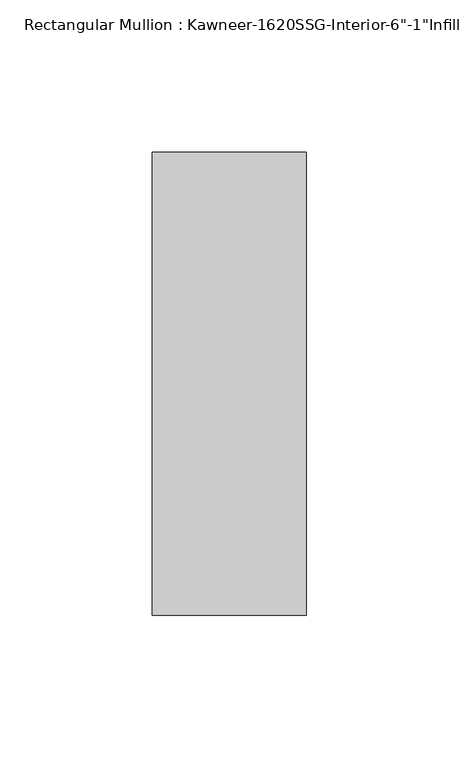
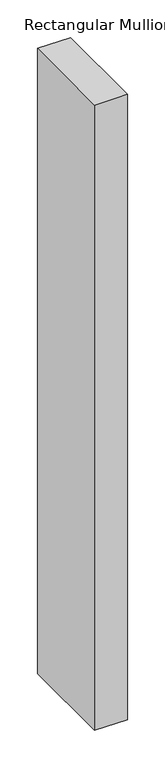
"""IFC4 building model written with IfcOpenShell, lengths in millimetres: member geometry."""

from ifc_helpers import new_model, si_unit, frame, origin, place, context, project, spatial, polyline, outline, extrude, source, transform, mapped, element, save


def member_9d4e5637(model_context):
    return source(origin(), model_context, "Body", "SweptSolid", [
        extrude(outline(polyline([(25.4, -114.3), (-25.4, -114.3), (-25.4, 38.1), (25.4, 38.1), (25.4, -114.3)])), frame((0.0, 0.0, -1016.0), z_axis=(0.0, 0.0, 1.0), x_axis=(1.0, 0.0, 0.0)), (0.0, 0.0, 1.0), 1016.0),
    ])


if __name__ == "__main__":
    model = new_model("IFC4")
    model_context = context("Model", 3, world=origin())
    ifc_project = project(units=[si_unit("LENGTHUNIT", "METRE", prefix="MILLI")], contexts=[model_context])
    site = spatial("IfcSite", under=ifc_project)
    building = spatial("IfcBuilding", under=site)
    placement = place(None, origin())
    member_shape = member_9d4e5637(model_context)
    element("IfcMember", 1, ObjectType="Rectangular Mullion : Kawneer-1620SSG-Interior-6\"-1\"Infill", at=placement, inside=building, context=model_context, shape_type="MappedRepresentation", body=[
        mapped(member_shape, transform((0.0, 0.0, 0.0), x_axis=(1.0, 0.0, 0.0), y_axis=(0.0, 1.0, 0.0), z_axis=(0.0, 0.0, 1.0))),
    ])
    save(model, "model.ifc")
